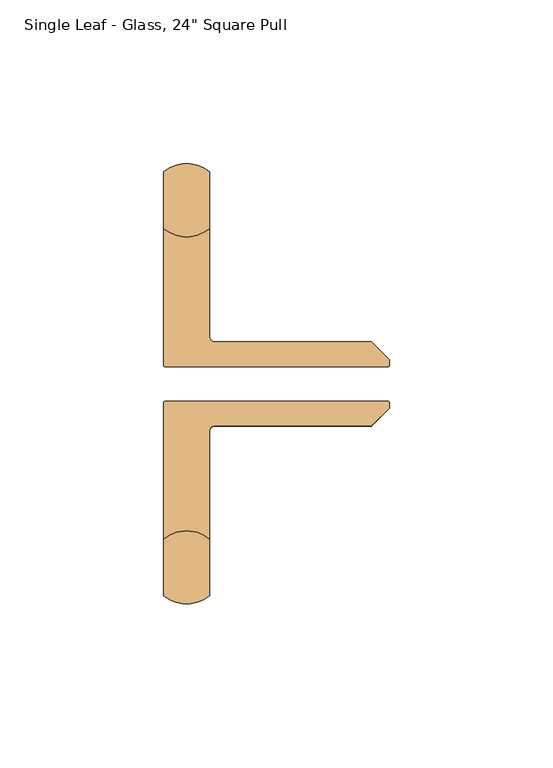
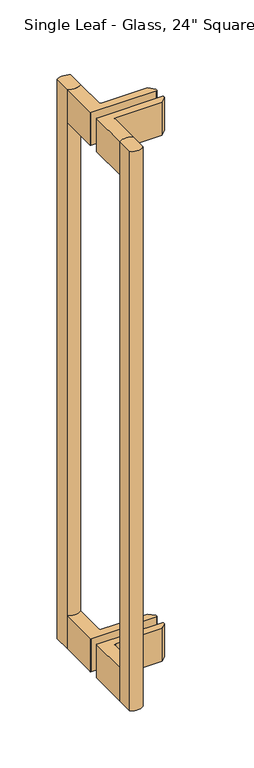
"""IFC4 building model written with IfcOpenShell, lengths in millimetres: door geometry."""

from ifc_helpers import new_model, si_unit, point, frame, frame_2d, origin, place, context, project, spatial, polyline, circle_curve, trimmed, segment, composite_curve, outline, extrude, source, transform, mapped, element, save


def door_8478fe8b(model_context):
    return source(origin(), model_context, "Body", "SweptSolid", [
        extrude(outline(composite_curve([segment(polyline([(-50.9125001, -64.0366536), (-50.9125001, -46.6789464)]), True, "CONTINUOUS"), segment(trimmed(circle_curve(frame_2d((-43.9125001, -55.3578)), 11.15), [point((-50.9125001, -46.6789464))], [point((-36.9125001, -46.6789464))], False, "CARTESIAN"), True, "CONTINUOUS"), segment(polyline([(-36.9125001, -46.6789464), (-36.9125001, -64.0366536)]), True, "CONTINUOUS"), segment(trimmed(circle_curve(frame_2d((-43.9125001, -55.3578)), 11.15), [point((-36.9125001, -64.0366536))], [point((-50.9125001, -64.0366536))], False, "CARTESIAN"), True, "CONTINUOUS")], self_intersect=False)), frame((0.0, 0.0, -108.492), z_axis=(0.0, 0.0, 1.0), x_axis=(1.0, 0.0, 0.0)), (0.0, 0.0, 1.0), 609.6),
        extrude(outline(composite_curve([segment(trimmed(circle_curve(frame_2d((-43.9125001, 56.7578)), 11.15), [point((-50.9125001, 65.4366536))], [point((-36.9125001, 65.4366536))], False, "CARTESIAN"), True, "CONTINUOUS"), segment(polyline([(-36.9125001, 65.4366536), (-36.9125001, 48.0789464)]), True, "CONTINUOUS"), segment(trimmed(circle_curve(frame_2d((-43.9125001, 56.7578)), 11.15), [point((-36.9125001, 48.0789464))], [point((-50.9125001, 48.0789464))], False, "CARTESIAN"), True, "CONTINUOUS"), segment(polyline([(-50.9125001, 48.0789464), (-50.9125001, 65.4366536)]), True, "CONTINUOUS")], self_intersect=False)), frame((0.0, 0.0, -108.492), z_axis=(0.0, 0.0, 1.0), x_axis=(1.0, 0.0, 0.0)), (0.0, 0.0, 1.0), 609.6),
        extrude(outline(composite_curve([segment(polyline([(-50.9125001, -46.6789464), (-50.9125001, -5.0578)]), True, "CONTINUOUS"), segment(trimmed(circle_curve(frame_2d((-50.4125001, -5.0578)), 0.5), [point((-50.9125001, -5.0578))], [point((-50.4125001, -4.5578))], False, "CARTESIAN"), True, "CONTINUOUS"), segment(polyline([(-50.4125001, -4.5578), (17.5, -4.5578)]), True, "CONTINUOUS"), segment(trimmed(circle_curve(frame_2d((17.5, -5.0578)), 0.5), [point((17.5, -4.5578))], [point((18.0, -5.0578))], False, "CARTESIAN"), True, "CONTINUOUS"), segment(polyline([(18.0, -5.0578), (18.0, -6.7090102), (12.5392102, -12.1698), (-35.4125001, -12.1698)]), True, "CONTINUOUS"), segment(trimmed(circle_curve(frame_2d((-35.4125001, -13.6698)), 1.5), [point((-35.4125001, -12.1698))], [point((-36.9125001, -13.6698))], True, "CARTESIAN"), True, "CONTINUOUS"), segment(polyline([(-36.9125001, -13.6698), (-36.9125001, -46.6789464)]), True, "CONTINUOUS"), segment(trimmed(circle_curve(frame_2d((-43.9125001, -55.3578)), 11.15), [point((-36.9125001, -46.6789464))], [point((-50.9125001, -46.6789464))], True, "CARTESIAN"), True, "CONTINUOUS")], self_intersect=False)), frame((0.0, 0.0, 465.108), z_axis=(0.0, 0.0, 1.0), x_axis=(1.0, 0.0, 0.0)), (0.0, 0.0, 1.0), 36.0),
        extrude(outline(composite_curve([segment(polyline([(-50.9125001, 6.4578), (-50.9125001, 48.0789464)]), True, "CONTINUOUS"), segment(trimmed(circle_curve(frame_2d((-43.9125001, 56.7578)), 11.15), [point((-50.9125001, 48.0789464))], [point((-36.9125001, 48.0789464))], True, "CARTESIAN"), True, "CONTINUOUS"), segment(polyline([(-36.9125001, 48.0789464), (-36.9125001, 15.0698)]), True, "CONTINUOUS"), segment(trimmed(circle_curve(frame_2d((-35.4125001, 15.0698)), 1.5), [point((-36.9125001, 15.0698))], [point((-35.4125001, 13.5698))], True, "CARTESIAN"), True, "CONTINUOUS"), segment(polyline([(-35.4125001, 13.5698), (12.5392102, 13.5698), (18.0, 8.1090102), (18.0, 6.4578)]), True, "CONTINUOUS"), segment(trimmed(circle_curve(frame_2d((17.5, 6.4578)), 0.5), [point((18.0, 6.4578))], [point((17.5, 5.9578))], False, "CARTESIAN"), True, "CONTINUOUS"), segment(polyline([(17.5, 5.9578), (-50.4125001, 5.9578)]), True, "CONTINUOUS"), segment(trimmed(circle_curve(frame_2d((-50.4125001, 6.4578)), 0.5), [point((-50.4125001, 5.9578))], [point((-50.9125001, 6.4578))], False, "CARTESIAN"), True, "CONTINUOUS")], self_intersect=False)), frame((0.0, 0.0, 465.108), z_axis=(0.0, 0.0, 1.0), x_axis=(1.0, 0.0, 0.0)), (0.0, 0.0, 1.0), 36.0),
        extrude(outline(composite_curve([segment(trimmed(circle_curve(frame_2d((-50.4125001, -5.0578)), 0.5), [point((-50.9125001, -5.0578))], [point((-50.4125001, -4.5578))], False, "CARTESIAN"), True, "CONTINUOUS"), segment(polyline([(-50.4125001, -4.5578), (17.5, -4.5578)]), True, "CONTINUOUS"), segment(trimmed(circle_curve(frame_2d((17.5, -5.0578)), 0.5), [point((17.5, -4.5578))], [point((18.0, -5.0578))], False, "CARTESIAN"), True, "CONTINUOUS"), segment(polyline([(18.0, -5.0578), (18.0, -6.7090102), (12.5392102, -12.1698), (-35.4125001, -12.1698)]), True, "CONTINUOUS"), segment(trimmed(circle_curve(frame_2d((-35.4125001, -13.6698)), 1.5), [point((-35.4125001, -12.1698))], [point((-36.9125001, -13.6698))], True, "CARTESIAN"), True, "CONTINUOUS"), segment(polyline([(-36.9125001, -13.6698), (-36.9125001, -46.6789464)]), True, "CONTINUOUS"), segment(trimmed(circle_curve(frame_2d((-43.9125001, -55.3578)), 11.15), [point((-36.9125001, -46.6789464))], [point((-50.9125001, -46.6789464))], True, "CARTESIAN"), True, "CONTINUOUS"), segment(polyline([(-50.9125001, -46.6789464), (-50.9125001, -5.0578)]), True, "CONTINUOUS")], self_intersect=False)), frame((0.0, 0.0, -108.492), z_axis=(0.0, 0.0, 1.0), x_axis=(1.0, 0.0, 0.0)), (0.0, 0.0, 1.0), 36.0),
        extrude(outline(composite_curve([segment(polyline([(17.5, 5.9578), (-50.4125001, 5.9578)]), True, "CONTINUOUS"), segment(trimmed(circle_curve(frame_2d((-50.4125001, 6.4578)), 0.5), [point((-50.4125001, 5.9578))], [point((-50.9125001, 6.4578))], False, "CARTESIAN"), True, "CONTINUOUS"), segment(polyline([(-50.9125001, 6.4578), (-50.9125001, 48.0789464)]), True, "CONTINUOUS"), segment(trimmed(circle_curve(frame_2d((-43.9125001, 56.7578)), 11.15), [point((-50.9125001, 48.0789464))], [point((-36.9125001, 48.0789464))], True, "CARTESIAN"), True, "CONTINUOUS"), segment(polyline([(-36.9125001, 48.0789464), (-36.9125001, 15.0698)]), True, "CONTINUOUS"), segment(trimmed(circle_curve(frame_2d((-35.4125001, 15.0698)), 1.5), [point((-36.9125001, 15.0698))], [point((-35.4125001, 13.5698))], True, "CARTESIAN"), True, "CONTINUOUS"), segment(polyline([(-35.4125001, 13.5698), (12.5392102, 13.5698), (18.0, 8.1090102), (18.0, 6.4578)]), True, "CONTINUOUS"), segment(trimmed(circle_curve(frame_2d((17.5, 6.4578)), 0.5), [point((18.0, 6.4578))], [point((17.5, 5.9578))], False, "CARTESIAN"), True, "CONTINUOUS")], self_intersect=False)), frame((0.0, 0.0, -108.492), z_axis=(0.0, 0.0, 1.0), x_axis=(1.0, 0.0, 0.0)), (0.0, 0.0, 1.0), 36.0),
    ])


if __name__ == "__main__":
    model = new_model("IFC4")
    model_context = context("Model", 3, world=origin())
    ifc_project = project(units=[si_unit("LENGTHUNIT", "METRE", prefix="MILLI")], contexts=[model_context])
    site = spatial("IfcSite", under=ifc_project)
    building = spatial("IfcBuilding", under=site)
    placement = place(None, origin())
    door_shape = door_8478fe8b(model_context)
    element("IfcDoor", 1, ObjectType="Single Leaf - Glass, 24\" Square Pull", at=placement, inside=building, context=model_context, shape_type="MappedRepresentation", body=[
        mapped(door_shape, transform((0.0, 0.0, 0.0), x_axis=(1.0, 0.0, 0.0), y_axis=(0.0, 1.0, 0.0), z_axis=(0.0, 0.0, 1.0))),
    ])
    save(model, "model.ifc")
